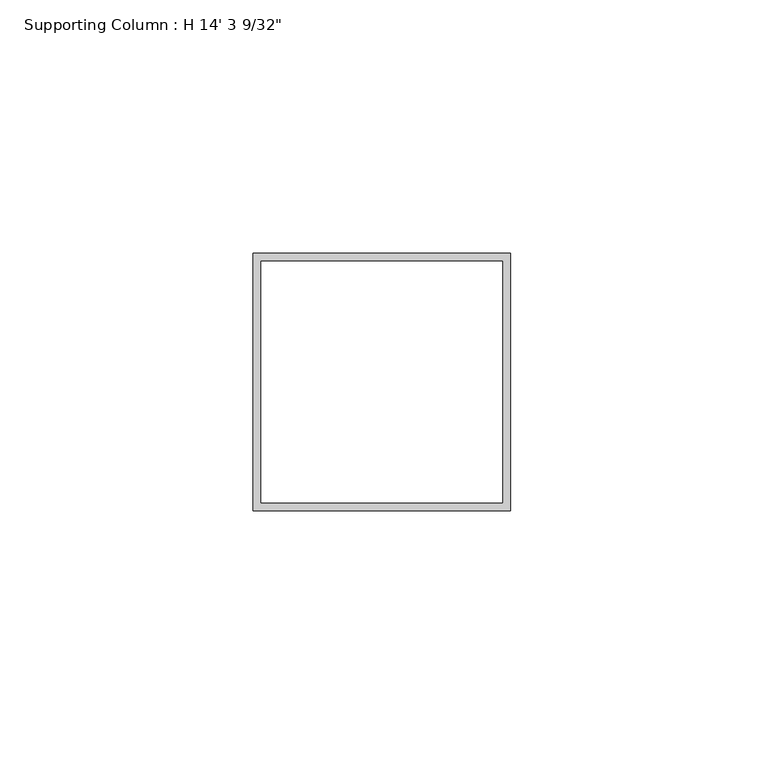
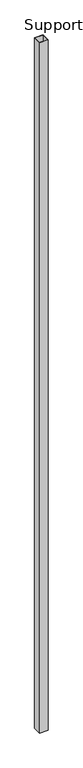
"""IFC4 building model written with IfcOpenShell, lengths in millimetres: proxy geometry."""

from ifc_helpers import new_model, si_unit, origin, origin_with_axes, place, context, project, spatial, polyline, outline, extrude, source, transform, mapped, element, save


def proxy_2ae2209d(model_context):
    return source(origin(), model_context, "Body", "SweptSolid", [
        extrude(outline(polyline([(50.8, 0.0), (0.0, 0.0), (0.0, 50.8), (50.8, 50.8), (50.8, 0.0)]), holes=[polyline([(1.5875, 49.2125), (1.5875, 1.5875), (49.2125, 1.5875), (49.2125, 49.2125), (1.5875, 49.2125)])]), origin_with_axes(), (0.0, 0.0, 1.0), 4350.54375),
    ])


if __name__ == "__main__":
    model = new_model("IFC4")
    model_context = context("Model", 3, world=origin())
    ifc_project = project(units=[si_unit("LENGTHUNIT", "METRE", prefix="MILLI")], contexts=[model_context])
    site = spatial("IfcSite", under=ifc_project)
    building = spatial("IfcBuilding", under=site)
    placement = place(None, origin())
    proxy_shape = proxy_2ae2209d(model_context)
    element("IfcBuildingElementProxy", 1, Name="Supporting Column : H 14' 3 9/32\"", ObjectType="Supporting Column : H 14' 3 9/32\"", at=placement, inside=building, context=model_context, shape_type="MappedRepresentation", body=[
        mapped(proxy_shape, transform((0.0, 0.0, 0.0), x_axis=(1.0, 0.0, 0.0), y_axis=(0.0, 1.0, 0.0), z_axis=(0.0, 0.0, 1.0))),
    ])
    save(model, "model.ifc")
